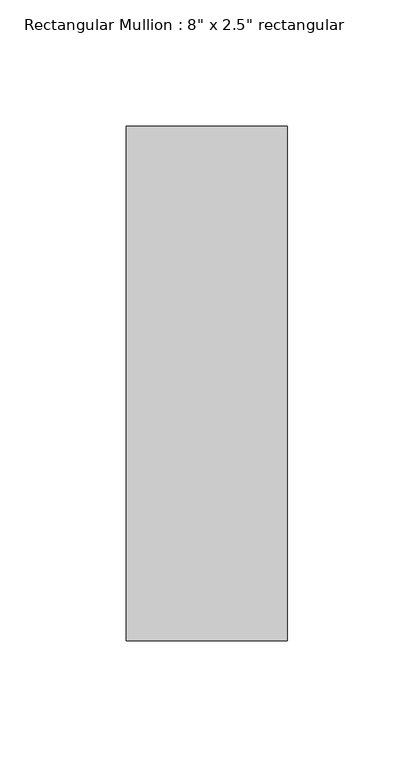
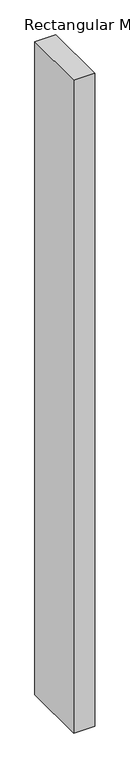
"""IFC4 building model written with IfcOpenShell, lengths in millimetres: member geometry."""

from ifc_helpers import new_model, si_unit, frame, origin, place, context, project, spatial, polyline, outline, extrude, source, transform, mapped, element, save


def member_148564de(model_context):
    return source(origin(), model_context, "Body", "SweptSolid", [
        extrude(outline(polyline([(0.0, 88.9), (0.0, -114.3), (-63.5, -114.3), (-63.5, 88.9), (0.0, 88.9)])), frame((0.0, 0.0, -2088.65), z_axis=(0.0, 0.0, 1.0), x_axis=(1.0, 0.0, 0.0)), (0.0, 0.0, 1.0), 2088.65),
    ])


if __name__ == "__main__":
    model = new_model("IFC4")
    model_context = context("Model", 3, world=origin())
    ifc_project = project(units=[si_unit("LENGTHUNIT", "METRE", prefix="MILLI")], contexts=[model_context])
    site = spatial("IfcSite", under=ifc_project)
    building = spatial("IfcBuilding", under=site)
    placement = place(None, origin())
    member_shape = member_148564de(model_context)
    element("IfcMember", 1, ObjectType="Rectangular Mullion : 8\" x 2.5\" rectangular", at=placement, inside=building, context=model_context, shape_type="MappedRepresentation", body=[
        mapped(member_shape, transform((0.0, 0.0, 0.0), x_axis=(1.0, 0.0, 0.0), y_axis=(0.0, 1.0, 0.0), z_axis=(0.0, 0.0, 1.0))),
    ])
    save(model, "model.ifc")
